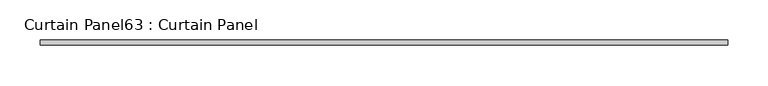
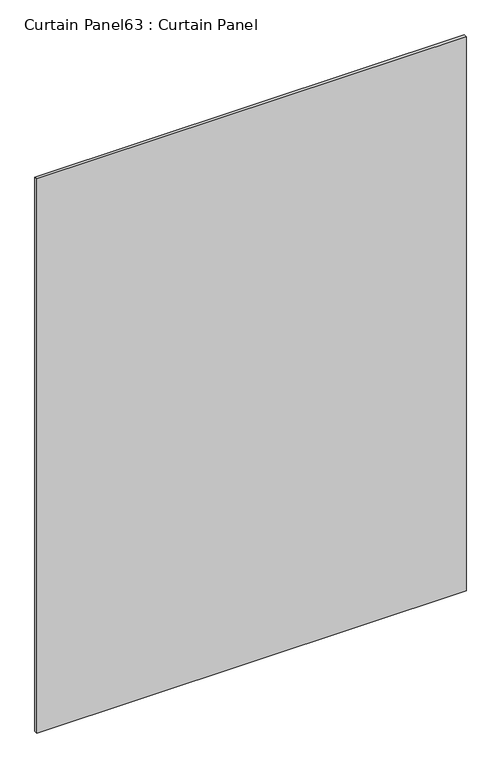
"""IFC4 building model written with IfcOpenShell, lengths in millimetres: plate geometry, Curtain Panel63 : Curtain Panel."""

from ifc_helpers import new_model, si_unit, frame, origin, place, context, project, spatial, polyline, outline, extrude, source, transform, mapped, element, save


def curtain_panel63_curtain_panel_1aadb65e(model_context):
    return source(origin(), model_context, "Body", "SweptSolid", [
        extrude(outline(polyline([(-34687.2160723, 3064.6151643), (-35538.6893244, 3064.6151643), (-35538.6893244, 3070.9651643), (-34687.2160723, 3070.9651643), (-34687.2160723, 3064.6151643)])), frame((0.0, 0.0, 2454.3541277), z_axis=(0.0, 0.0, 1.0), x_axis=(1.0, 0.0, 0.0)), (0.0, 0.0, 1.0), 1162.2209433),
    ])


if __name__ == "__main__":
    model = new_model("IFC4")
    model_context = context("Model", 3, world=origin())
    ifc_project = project(units=[si_unit("LENGTHUNIT", "METRE", prefix="MILLI")], contexts=[model_context])
    site = spatial("IfcSite", under=ifc_project)
    building = spatial("IfcBuilding", under=site)
    placement = place(None, origin())
    curtain_panel63_curtain_panel_shape = curtain_panel63_curtain_panel_1aadb65e(model_context)
    element("IfcPlate", 1, ObjectType="Curtain Panel63 : Curtain Panel", at=placement, inside=building, context=model_context, shape_type="MappedRepresentation", body=[
        mapped(curtain_panel63_curtain_panel_shape, transform((0.0, 0.0, 0.0), x_axis=(1.0, 0.0, 0.0), y_axis=(0.0, 1.0, 0.0), z_axis=(0.0, 0.0, 1.0))),
    ])
    save(model, "model.ifc")
